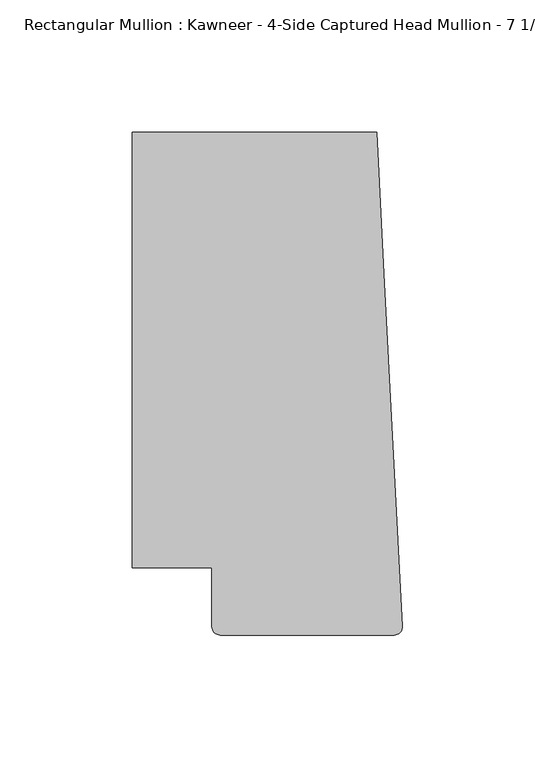
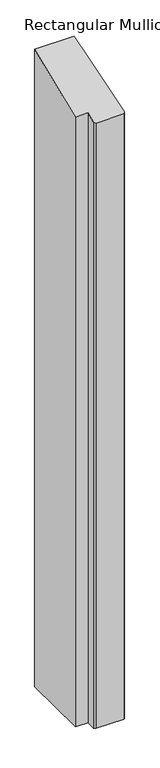
"""IFC4 building model written with IfcOpenShell, lengths in millimetres: member geometry."""

from ifc_helpers import new_model, si_unit, frame, origin, place, context, project, spatial, circle_curve, ellipse_curve, source, transform, mapped, element, save
from ifc_brep_helpers import plane_surface, cylinder_surface, advanced_brep


def member_a86ae348(model_context):
    return source(origin(), model_context, "Body", "AdvancedBrep", [
        advanced_brep(
        [(-9.7860662, 151.892, -1513.3330237), (-6.9873394, 98.4891117, -1513.3330237), (-0.0041105, -34.7588278, -1513.3330237), (-3.175, -38.0999944, -1513.3330237), (-68.798975, -38.0999944, -1513.3330237), (-71.9739395, -34.9099677, -1513.3330237), (-71.9739395, -12.7, -1513.3330237), (-102.08978, -12.7, -1513.3330237), (-102.08978, 151.892, -1513.3330237), (-102.08978, 151.892, 62.9157264), (-9.7860662, 151.892, 62.9157264), (-102.08978, -12.7, -5.2605122), (-71.9739395, -12.7, -5.2605122), (-71.9739395, -34.9099677, -14.4601821), (-68.798975, -38.0999944, -15.7815344), (-3.175, -38.0999944, -15.7815344), (-0.0043506, -34.7588403, -14.3975831), (-6.9873394, 98.4891117, 40.7955258)],
        [
            (0, 1),
            (1, 2),
            (2, 3, circle_curve(frame((-3.175, -34.9249944, -1513.3330237), z_axis=(0.0, 0.0, -1.0), x_axis=(0.0, -1.0, 0.0)), 3.175)),
            (3, 4),
            (4, 5, circle_curve(frame((-68.798975, -34.9249944, -1513.3330237), z_axis=(0.0, 0.0, -1.0), x_axis=(-0.9999888001458095, 0.004732819766726053, 0.0)), 3.175)),
            (5, 6),
            (6, 7),
            (7, 8),
            (8, 0),
            (9, 10),
            (10, 0),
            (8, 9),
            (11, 9),
            (7, 11),
            (12, 11),
            (6, 12),
            (13, 12),
            (5, 13),
            (14, 13, ellipse_curve(frame((-68.798975, -34.9249944, -14.4664064), z_axis=(0.0, 0.3826834323650882, -0.9238795325112875), x_axis=(0.0, 0.9238795325112876, 0.3826834323650877)), 3.4365952, 3.175)),
            (4, 14),
            (15, 14),
            (3, 15),
            (16, 15, ellipse_curve(frame((-3.175, -34.9249944, -14.4664064), z_axis=(0.0, 0.3826834323650882, -0.9238795325112875), x_axis=(0.0, 0.9238795325112876, 0.3826834323650877)), 3.4365952, 3.175)),
            (2, 16),
            (17, 16),
            (1, 17),
            (10, 17),
        ],
        [
            plane_surface(frame((0.0, -183.0123025, -1513.3330237), z_axis=(0.0, 0.0, -1.0), x_axis=(-1.0, 0.0, 0.0))),
            plane_surface(frame((-9.7860662, 151.892, 0.0), z_axis=(0.0, 1.0, 0.0), x_axis=(0.0, 0.0, -1.0))),
            plane_surface(frame((-102.08978, 151.892, 0.0), z_axis=(-1.0, 0.0, 0.0), x_axis=(0.0, 0.0, -1.0))),
            plane_surface(frame((-102.08978, -12.7, 0.0), z_axis=(0.0, -1.0, 0.0), x_axis=(0.0, 0.0, -1.0))),
            plane_surface(frame((-71.9739395, -12.7, 0.0), z_axis=(-1.0, 0.0, 0.0), x_axis=(0.0, 0.0, -1.0))),
            cylinder_surface(frame((-68.798975, -34.9249944, 0.0), z_axis=(0.0, 0.0, 1.0), x_axis=(-0.9999888001458095, 0.004732819766726053, 0.0)), 3.175),
            plane_surface(frame((-68.798975, -38.0999944, 0.0), z_axis=(0.0, -1.0, 0.0), x_axis=(0.0, 0.0, -1.0))),
            cylinder_surface(frame((-3.175, -34.9249944, 0.0), z_axis=(0.0, 0.0, 1.0), x_axis=(0.0, -1.0, 0.0)), 3.175),
            plane_surface(frame((-0.0041105, -34.7588278, 0.0), z_axis=(0.9986295346400468, 0.05233595842825238, 0.0), x_axis=(0.0, 0.0, -1.0))),
            plane_surface(frame((-6.9873394, 98.4891117, 0.0), z_axis=(0.9986295347545738, 0.052335956242944896, 0.0), x_axis=(0.0, 0.0, -1.0))),
            plane_surface(frame((304.8, 0.0, 0.0), z_axis=(0.0, -0.3826834323650882, 0.9238795325112875), x_axis=(0.0, -0.9238795325112875, -0.3826834323650882))),
        ],
        [
            (0, [[1, 2, 3, 4, 5, 6, 7, 8, 9]]),
            (1, [[10, 11, -9, 12]]),
            (2, [[13, -12, -8, 14]]),
            (3, [[15, -14, -7, 16]]),
            (4, [[17, -16, -6, 18]]),
            (5, [[19, -18, -5, 20]]),
            (6, [[21, -20, -4, 22]]),
            (7, [[23, -22, -3, 24]]),
            (8, [[25, -24, -2, 26]]),
            (9, [[27, -26, -1, -11]]),
            (10, [[-10, -13, -15, -17, -19, -21, -23, -25, -27]]),
        ],
    ),
    ])


if __name__ == "__main__":
    model = new_model("IFC4")
    model_context = context("Model", 3, world=origin())
    ifc_project = project(units=[si_unit("LENGTHUNIT", "METRE", prefix="MILLI")], contexts=[model_context])
    site = spatial("IfcSite", under=ifc_project)
    building = spatial("IfcBuilding", under=site)
    placement = place(None, origin())
    member_shape = member_a86ae348(model_context)
    element("IfcMember", 1, ObjectType="Rectangular Mullion : Kawneer - 4-Side Captured Head Mullion - 7 1/2\"", at=placement, inside=building, context=model_context, shape_type="MappedRepresentation", body=[
        mapped(member_shape, transform((0.0, 0.0, 0.0), x_axis=(1.0, 0.0, 0.0), y_axis=(0.0, 1.0, 0.0), z_axis=(0.0, 0.0, 1.0))),
    ])
    save(model, "model.ifc")
